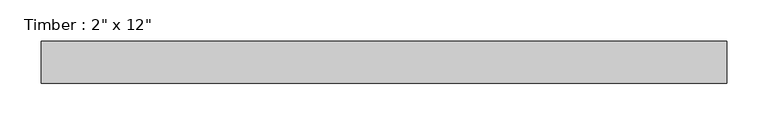
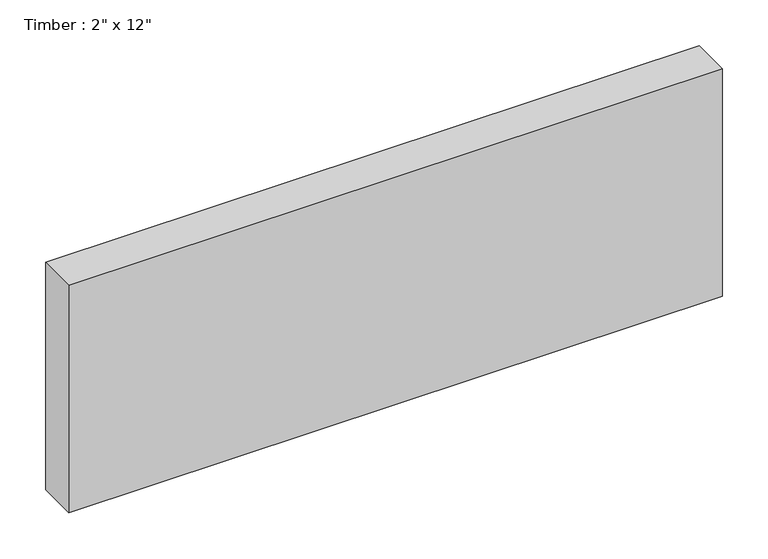
"""IFC4 building model written with IfcOpenShell, lengths in millimetres: beam geometry."""

from ifc_helpers import new_model, si_unit, frame, origin, place, context, project, spatial, polyline, outline, extrude, source, transform, mapped, element, save


def beam_0d48a3c4(model_context):
    return source(origin(), model_context, "Body", "SweptSolid", [
        extrude(outline(polyline([(413.5770662, 25.4), (413.5770662, -25.4), (-413.5770656, -25.4), (-413.5770656, 25.4), (413.5770662, 25.4)])), frame((0.0, 0.0, -152.4), z_axis=(0.0, 0.0, 1.0), x_axis=(1.0, 0.0, 0.0)), (0.0, 0.0, 1.0), 304.8),
    ])


if __name__ == "__main__":
    model = new_model("IFC4")
    model_context = context("Model", 3, world=origin())
    ifc_project = project(units=[si_unit("LENGTHUNIT", "METRE", prefix="MILLI")], contexts=[model_context])
    site = spatial("IfcSite", under=ifc_project)
    building = spatial("IfcBuilding", under=site)
    placement = place(None, origin())
    beam_shape = beam_0d48a3c4(model_context)
    element("IfcBeam", 1, ObjectType="Timber : 2\" x 12\"", at=placement, inside=building, context=model_context, shape_type="MappedRepresentation", body=[
        mapped(beam_shape, transform((0.0, 0.0, 0.0), x_axis=(1.0, 0.0, 0.0), y_axis=(0.0, 1.0, 0.0), z_axis=(0.0, 0.0, 1.0))),
    ])
    save(model, "model.ifc")
